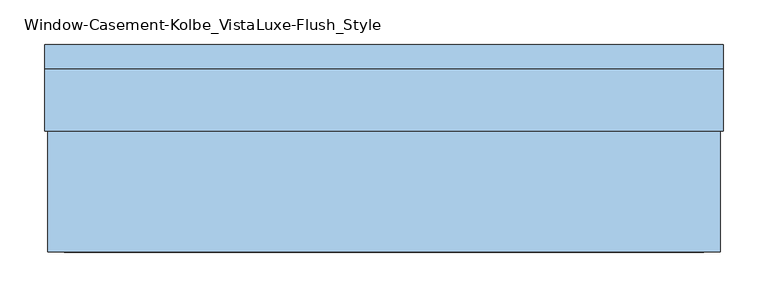
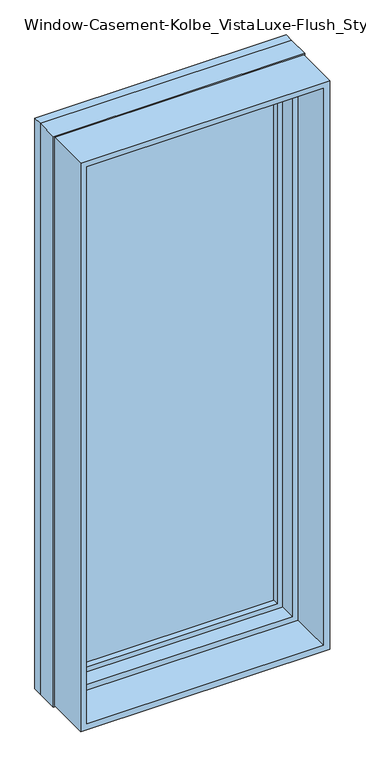
"""IFC4 building model written with IfcOpenShell, lengths in millimetres: window geometry, Window-Casement-Kolbe_VistaLuxe-Flush_Style."""

from ifc_helpers import new_model, si_unit, frame, origin, place, context, project, spatial, polyline, outline, extrude, faceted_brep, source, transform, mapped, element, save


def window_casement_kolbe_vistaluxe_flush_style_2286dcdc(model_context):
    return source(origin(), model_context, "Body", "SolidModel", [
        faceted_brep([(-330.2696599, 121.37898, 970.676875), (319.1765901, 121.37898, 970.676875), (319.1765901, 129.31648, 970.676875), (-330.2696599, 129.31648, 970.676875), (-346.1446599, 99.12858, 954.801875), (335.0515901, 99.12858, 954.801875), (335.0515901, 121.37898, 954.801875), (-346.1446599, 121.37898, 954.801875), (-330.2696599, 80.10398, 970.676875), (319.1765901, 80.10398, 970.676875), (319.1765901, 99.12858, 970.676875), (-330.2696599, 99.12858, 970.676875), (-374.7196599, 129.31648, 926.226875), (363.6265901, 129.31648, 926.226875), (363.6265901, 80.10398, 926.226875), (-374.7196599, 80.10398, 926.226875), (319.1765901, 121.37898, 2686.923125), (319.1765901, 129.31648, 2686.923125), (335.0515901, 99.12858, 2702.798125), (335.0515901, 121.37898, 2702.798125), (319.1765901, 80.10398, 2686.923125), (319.1765901, 99.12858, 2686.923125), (363.6265901, 129.31648, 2731.373125), (363.6265901, 80.10398, 2731.373125), (-330.2696599, 121.37898, 2686.923125), (-330.2696599, 129.31648, 2686.923125), (-346.1446599, 99.12858, 2702.798125), (-346.1446599, 121.37898, 2702.798125), (-330.2696599, 80.10398, 2686.923125), (-330.2696599, 99.12858, 2686.923125), (-374.7196599, 129.31648, 2731.373125), (-374.7196599, 80.10398, 2731.373125)], [[[0, 1, 2, 3]], [[4, 5, 6, 7]], [[8, 9, 10, 11]], [[12, 13, 14, 15]], [[1, 16, 17, 2]], [[5, 18, 19, 6]], [[9, 20, 21, 10]], [[13, 22, 23, 14]], [[16, 24, 25, 17]], [[18, 26, 27, 19]], [[20, 28, 29, 21]], [[22, 30, 31, 23]], [[24, 0, 3, 25]], [[7, 6, 19, 27], [1, 0, 24, 16]], [[26, 4, 7, 27]], [[5, 4, 26, 18], [11, 10, 21, 29]], [[28, 8, 11, 29]], [[15, 14, 23, 31], [9, 8, 28, 20]], [[30, 12, 15, 31]], [[13, 12, 30, 22], [3, 2, 17, 25]]]),
        extrude(outline(polyline([(2739.6186, -382.9651349), (917.9814, -382.9651349), (917.9814, 371.8720651), (2739.6186, 371.8720651), (2739.6186, -382.9651349)]), holes=[polyline([(936.545625, -364.4009099), (2721.054375, -364.4009099), (2721.054375, 353.3078401), (936.545625, 353.3078401), (936.545625, -364.4009099)])]), frame((0.0, -103.1875, 0.0), z_axis=(0.0, 1.0, 0.0), x_axis=(0.0, 0.0, 1.0)), (0.0, 0.0, 1.0), 135.7122),
        extrude(outline(polyline([(2743.2, 375.4534651), (2743.2, -386.5465349), (914.4, -386.5465349), (914.4, 375.4534651), (2743.2, 375.4534651)]), holes=[polyline([(2731.373125, -374.7196599), (2731.373125, 363.6265901), (926.226875, 363.6265901), (926.226875, -374.7196599), (2731.373125, -374.7196599)])]), frame((0.0, 103.1875, 0.0), z_axis=(0.0, 1.0, 0.0), x_axis=(0.0, 0.0, 1.0)), (0.0, 0.0, 1.0), 26.924),
        faceted_brep([(375.4534651, 32.5247, 914.4), (-386.5465349, 32.5247, 914.4), (-386.5465349, 103.1875, 914.4), (375.4534651, 103.1875, 914.4), (353.3078401, 80.10525, 936.545625), (-364.4009099, 80.10525, 936.545625), (-364.4009099, 32.5247, 936.545625), (353.3078401, 32.5247, 936.545625), (363.6265901, 103.1875, 926.226875), (-374.7196599, 103.1875, 926.226875), (-374.7196599, 80.10525, 926.226875), (363.6265901, 80.10525, 926.226875), (-386.5465349, 32.5247, 2743.2), (-386.5465349, 103.1875, 2743.2), (-364.4009099, 80.10525, 2721.054375), (-364.4009099, 32.5247, 2721.054375), (-374.7196599, 103.1875, 2731.373125), (-374.7196599, 80.10525, 2731.373125), (375.4534651, 32.5247, 2743.2), (375.4534651, 103.1875, 2743.2), (353.3078401, 80.10525, 2721.054375), (353.3078401, 32.5247, 2721.054375), (363.6265901, 103.1875, 2731.373125), (363.6265901, 80.10525, 2731.373125)], [[[0, 1, 2, 3]], [[4, 5, 6, 7]], [[8, 9, 10, 11]], [[1, 12, 13, 2]], [[5, 14, 15, 6]], [[9, 16, 17, 10]], [[12, 18, 19, 13]], [[14, 20, 21, 15]], [[16, 22, 23, 17]], [[18, 0, 3, 19]], [[1, 0, 18, 12], [7, 6, 15, 21]], [[20, 4, 7, 21]], [[11, 10, 17, 23], [5, 4, 20, 14]], [[22, 8, 11, 23]], [[3, 2, 13, 19], [9, 8, 22, 16]]]),
        extrude(outline(polyline([(331.8765901, 102.30358), (331.8765901, 99.12858), (-342.9696599, 99.12858), (-342.9696599, 102.30358), (331.8765901, 102.30358)])), frame((0.0, 0.0, 957.976875), z_axis=(0.0, 0.0, 1.0), x_axis=(1.0, 0.0, 0.0)), (0.0, 0.0, 1.0), 1741.64625),
        extrude(outline(polyline([(331.8765901, 118.20398), (-342.9696599, 118.20398), (-342.9696599, 121.37898), (331.8765901, 121.37898), (331.8765901, 118.20398)])), frame((0.0, 0.0, 957.976875), z_axis=(0.0, 0.0, 1.0), x_axis=(1.0, 0.0, 0.0)), (0.0, 0.0, 1.0), 1741.64625),
        extrude(outline(polyline([(936.545625, -364.4009099), (936.545625, 353.3078401), (2721.054375, 353.3078401), (2721.054375, -364.4009099), (936.545625, -364.4009099)]), holes=[polyline([(954.801875, 335.0515901), (954.801875, -346.1446599), (2702.798125, -346.1446599), (2702.798125, 335.0515901), (954.801875, 335.0515901)])]), frame((0.0, 29.30525, 0.0), z_axis=(0.0, 1.0, 0.0), x_axis=(0.0, 0.0, 1.0)), (0.0, 0.0, 1.0), 50.8),
    ])


if __name__ == "__main__":
    model = new_model("IFC4")
    model_context = context("Model", 3, world=origin())
    ifc_project = project(units=[si_unit("LENGTHUNIT", "METRE", prefix="MILLI")], contexts=[model_context])
    site = spatial("IfcSite", under=ifc_project)
    building = spatial("IfcBuilding", under=site)
    placement = place(None, origin())
    window_casement_kolbe_vistaluxe_flush_style_shape = window_casement_kolbe_vistaluxe_flush_style_2286dcdc(model_context)
    element("IfcWindow", 1, ObjectType="Window-Casement-Kolbe_VistaLuxe-Flush_Style", at=placement, inside=building, context=model_context, shape_type="MappedRepresentation", body=[
        mapped(window_casement_kolbe_vistaluxe_flush_style_shape, transform((0.0, 0.0, 0.0), x_axis=(1.0, 0.0, 0.0), y_axis=(0.0, 1.0, 0.0), z_axis=(0.0, 0.0, 1.0))),
    ])
    save(model, "model.ifc")
